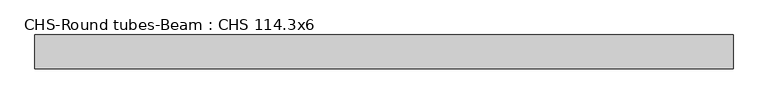
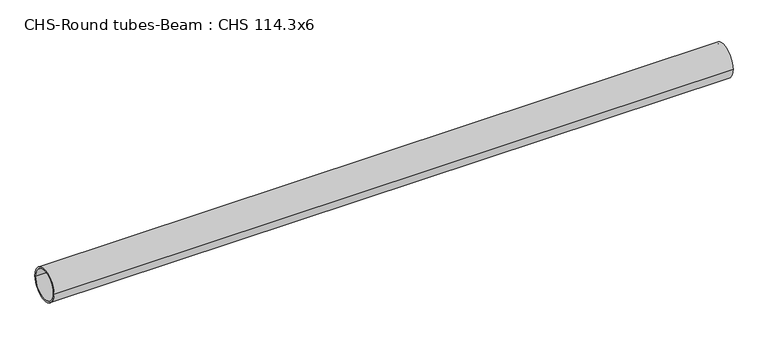
"""IFC4 building model written with IfcOpenShell, lengths in millimetres: beam geometry, CHS-Round tubes-Beam : CHS 114.3x6."""

from ifc_helpers import new_model, si_unit, point, frame, origin, origin_2d, place, context, project, spatial, circle_curve, trimmed, segment, composite_curve, outline, extrude, source, transform, mapped, element, save


def chs_round_tubes_beam_chs_114_3x6_a8994fd1(model_context):
    return source(origin(), model_context, "Body", "SweptSolid", [
        extrude(outline(composite_curve([segment(trimmed(circle_curve(origin_2d(), 57.15), [point((57.15, 0.0))], [point((-57.15, 0.0))], False, "CARTESIAN"), True, "CONTINUOUS"), segment(trimmed(circle_curve(origin_2d(), 57.15), [point((-57.15, 0.0))], [point((57.15, 0.0))], False, "CARTESIAN"), True, "CONTINUOUS")], self_intersect=False), holes=[composite_curve([segment(trimmed(circle_curve(origin_2d(), 51.15), [point((51.15, 0.0))], [point((-51.15, 0.0))], True, "CARTESIAN"), True, "CONTINUOUS"), segment(trimmed(circle_curve(origin_2d(), 51.15), [point((-51.15, 0.0))], [point((51.15, 0.0))], True, "CARTESIAN"), True, "CONTINUOUS")], self_intersect=False)]), frame((-1133.8219964, 0.0, 0.0), z_axis=(1.0, 0.0, 0.0), x_axis=(0.0, 1.0, 0.0)), (0.0, 0.0, 1.0), 2359.9163017),
    ])


if __name__ == "__main__":
    model = new_model("IFC4")
    model_context = context("Model", 3, world=origin())
    ifc_project = project(units=[si_unit("LENGTHUNIT", "METRE", prefix="MILLI")], contexts=[model_context])
    site = spatial("IfcSite", under=ifc_project)
    building = spatial("IfcBuilding", under=site)
    placement = place(None, origin())
    chs_round_tubes_beam_chs_114_3x6_shape = chs_round_tubes_beam_chs_114_3x6_a8994fd1(model_context)
    element("IfcBeam", 1, ObjectType="CHS-Round tubes-Beam : CHS 114.3x6", at=placement, inside=building, context=model_context, shape_type="MappedRepresentation", body=[
        mapped(chs_round_tubes_beam_chs_114_3x6_shape, transform((0.0, 0.0, 0.0), x_axis=(1.0, 0.0, 0.0), y_axis=(0.0, 1.0, 0.0), z_axis=(0.0, 0.0, 1.0))),
    ])
    save(model, "model.ifc")
